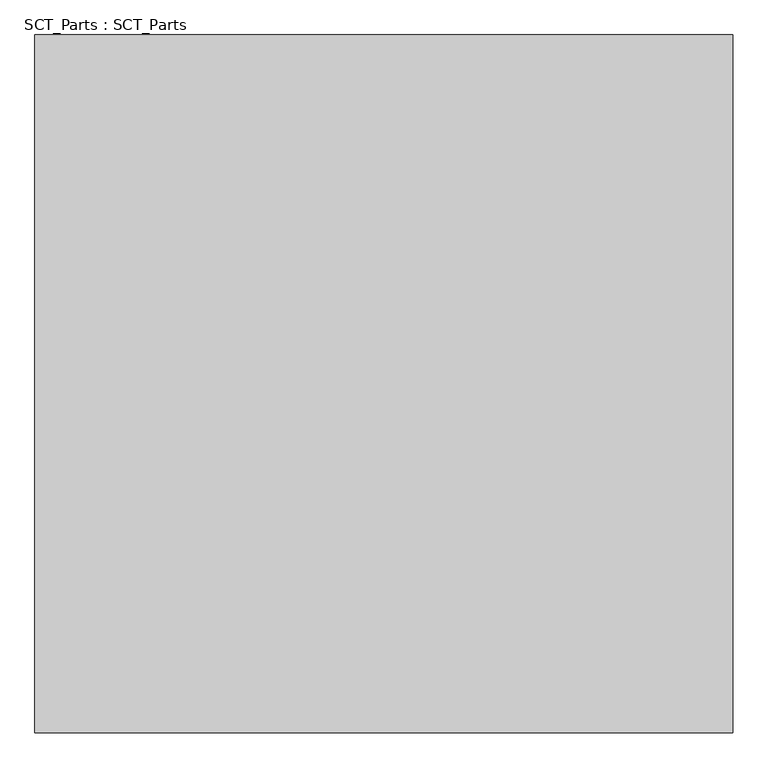
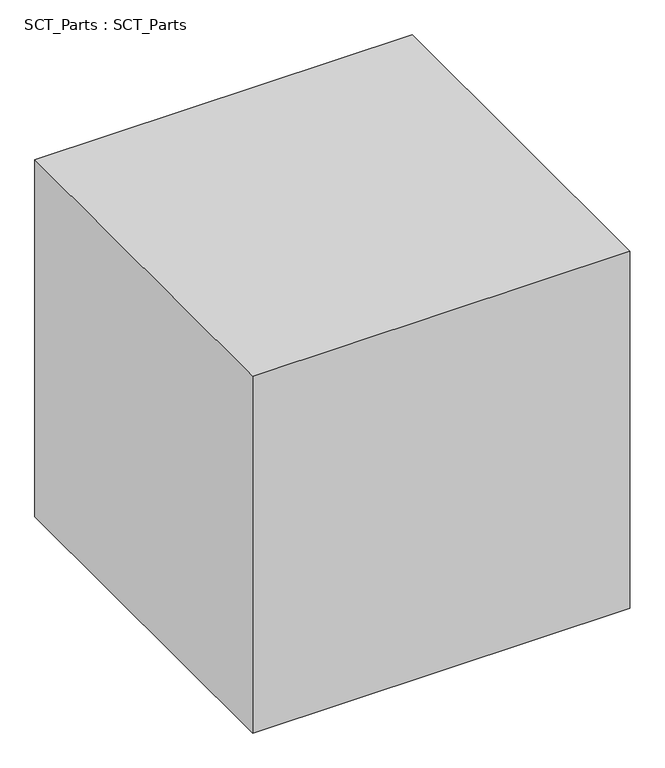
"""IFC4 building model written with IfcOpenShell, lengths in millimetres: proxy geometry, SCT_Parts : SCT_Parts."""

from ifc_helpers import new_model, si_unit, frame, origin, place, context, project, spatial, polyline, outline, extrude, source, transform, mapped, element, save


def sct_parts_sct_parts_cb01ffe5(model_context):
    return source(origin(), model_context, "Body", "SweptSolid", [
        extrude(outline(polyline([(3000.0, 3000.0), (3000.0, 0.0), (0.0, 0.0), (0.0, 3000.0), (3000.0, 3000.0)])), frame((0.0, 0.0, 8000.0), z_axis=(0.0, 0.0, 1.0), x_axis=(1.0, 0.0, 0.0)), (0.0, 0.0, 1.0), 3000.0),
    ])


if __name__ == "__main__":
    model = new_model("IFC4")
    model_context = context("Model", 3, world=origin())
    ifc_project = project(units=[si_unit("LENGTHUNIT", "METRE", prefix="MILLI")], contexts=[model_context])
    site = spatial("IfcSite", under=ifc_project)
    building = spatial("IfcBuilding", under=site)
    placement = place(None, origin())
    sct_parts_sct_parts_shape = sct_parts_sct_parts_cb01ffe5(model_context)
    element("IfcBuildingElementProxy", 1, Name="SCT_Parts : SCT_Parts", ObjectType="SCT_Parts : SCT_Parts", at=placement, inside=building, context=model_context, shape_type="MappedRepresentation", body=[
        mapped(sct_parts_sct_parts_shape, transform((0.0, 0.0, 0.0), x_axis=(1.0, 0.0, 0.0), y_axis=(0.0, 1.0, 0.0), z_axis=(0.0, 0.0, 1.0))),
    ])
    save(model, "model.ifc")
